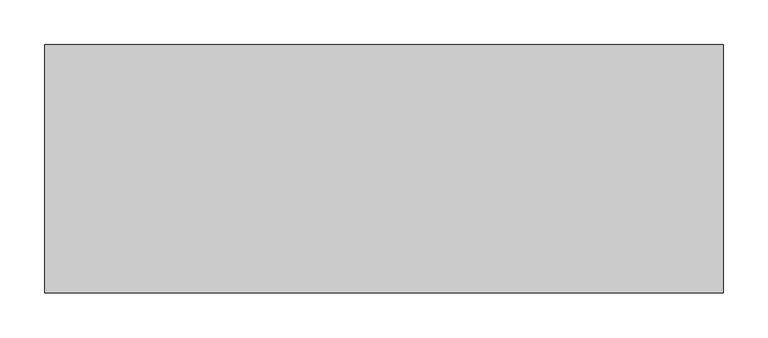
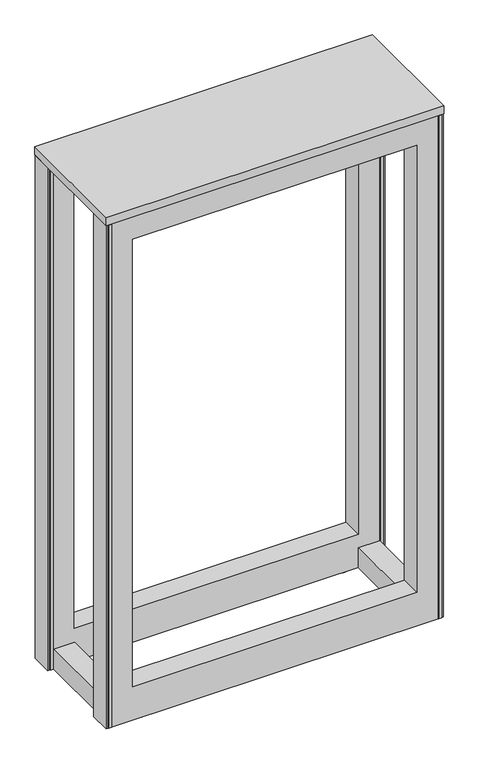
"""IFC4 building model written with IfcOpenShell, lengths in millimetres: furniture geometry."""

from ifc_helpers import new_model, si_unit, frame, origin, place, context, project, spatial, polyline, circle_curve, outline, extrude, faceted_brep, source, transform, mapped, element, save
from ifc_brep_helpers import plane_surface, cylinder_surface, advanced_brep


def furniture_7efb9b5b(model_context):
    return source(origin(), model_context, "Body", "SolidModel", [
        extrude(outline(polyline([(323.7647752, -1662.8012805), (323.7647752, -1942.2012805), (-438.2352248, -1942.2012805), (-438.2352248, -1662.8012805), (323.7647752, -1662.8012805)])), frame((0.0, 0.0, 1209.675), z_axis=(0.0, 0.0, 1.0), x_axis=(1.0, 0.0, 0.0)), (0.0, 0.0, 1.0), 19.05),
        faceted_brep([(-377.9102232, -1716.7762789, 1155.6999758), (-377.9102232, -1716.7762789, 1147.8259651), (-377.9102232, -1717.5700289, 1147.8259651), (-377.9102232, -1717.5700289, 1156.4937258), (-377.9102232, -1712.1156691, 1156.4937258), (-377.9102232, -1712.1156691, 1155.6999758), (263.4327537, -1717.5700289, 1156.4937258), (263.4327537, -1717.5700289, 1147.8259651), (263.4327537, -1716.7762789, 1147.8259651), (263.4327537, -1716.7762789, 1155.6999758), (263.4327537, -1712.1156691, 1155.6999758), (263.4327537, -1712.1156691, 1156.4937258), (263.4327537, -1667.5637805, 1156.4937258), (-377.9102232, -1667.5637805, 1156.4937258), (263.4327537, -1667.5637805, 1208.88125), (-377.9102232, -1667.5637805, 1208.88125), (263.4327537, -1712.1156691, 1208.88125), (-377.9102232, -1712.1156691, 1208.88125), (-430.2977242, -1712.1156691, 1209.675), (-430.2977242, -1712.1156691, 9.525), (315.8272747, -1712.1156691, 9.525), (315.8272747, -1712.1156691, 1209.675), (263.4327537, -1712.1156691, 88.9000027), (-377.9102232, -1712.1156691, 88.9000027), (-430.2977242, -1664.3887805, 1209.675), (315.8272747, -1664.3887805, 1209.675), (-430.2977242, -1664.3887805, 9.525), (315.8272747, -1664.3887805, 9.525), (263.4327537, -1664.3887805, 1155.6999758), (-377.9102232, -1664.3887805, 1155.6999758), (-377.9102232, -1664.3887805, 88.9000027), (263.4327537, -1664.3887805, 88.9000027)], [[[0, 1, 2, 3, 4, 5]], [[6, 7, 8, 9, 10, 11]], [[3, 6, 11, 12, 13, 4]], [[13, 12, 14, 15]], [[15, 14, 16, 17]], [[18, 19, 20, 21], [17, 16, 11, 10, 22, 23, 5, 4]], [[24, 18, 21, 25]], [[26, 24, 25, 27], [28, 29, 30, 31]], [[29, 28, 10, 9, 0, 5]], [[1, 0, 9, 8]], [[2, 1, 8, 7]], [[3, 2, 7, 6]], [[19, 26, 27, 20]], [[17, 4, 13, 15]], [[29, 5, 23, 30]], [[18, 24, 26, 19]], [[25, 21, 20, 27]], [[11, 16, 14, 12]], [[10, 28, 31, 22]], [[31, 30, 23, 22]]]),
        faceted_brep([(-377.9102232, -1888.1243934, 1147.8259651), (-377.9102232, -1888.1243934, 1155.6999758), (-377.9102232, -1892.9887805, 1155.6999758), (-377.9102232, -1892.9887805, 1156.4937258), (-377.9102232, -1887.3306434, 1156.4937258), (-377.9102232, -1887.3306434, 1147.8259651), (263.4327537, -1888.1243934, 1147.8259651), (263.4327537, -1887.3306434, 1147.8259651), (263.4327537, -1887.3306434, 1156.4937258), (263.4327537, -1892.9887805, 1156.4937258), (263.4327537, -1892.9887805, 1155.6999758), (263.4327537, -1888.1243934, 1155.6999758), (-430.2977242, -1892.9887805, 1209.675), (-430.2977242, -1940.7156691, 1209.675), (315.8272747, -1940.7156691, 1209.675), (315.8272747, -1892.9887805, 1209.675), (263.4327537, -1940.7156691, 1155.6999758), (-377.9102232, -1940.7156691, 1155.6999758), (-430.2977242, -1940.7156691, 9.525), (315.8272747, -1940.7156691, 9.525), (263.4327537, -1940.7156691, 88.9000027), (-377.9102232, -1940.7156691, 88.9000027), (-430.2977242, -1892.9887805, 9.525), (315.8272747, -1892.9887805, 9.525), (263.4327537, -1892.9887805, 1208.88125), (-377.9102232, -1892.9887805, 1208.88125), (-377.9102232, -1892.9887805, 88.9000027), (263.4327537, -1892.9887805, 88.9000027), (263.4327537, -1937.438782, 1208.88125), (-377.9102232, -1937.438782, 1208.88125), (263.4327537, -1937.438782, 1156.4937258), (-377.9102232, -1937.438782, 1156.4937258)], [[[0, 1, 2, 3, 4, 5]], [[6, 7, 8, 9, 10, 11]], [[12, 13, 14, 15]], [[1, 0, 6, 11]], [[1, 11, 10, 16, 17, 2]], [[13, 18, 19, 14], [17, 16, 20, 21]], [[22, 12, 15, 23], [24, 25, 3, 2, 26, 27, 10, 9]], [[25, 24, 28, 29]], [[29, 28, 30, 31]], [[31, 30, 9, 8, 4, 3]], [[5, 4, 8, 7]], [[0, 5, 7, 6]], [[18, 22, 23, 19]], [[2, 17, 21, 26]], [[3, 25, 29, 31]], [[13, 12, 22, 18]], [[15, 14, 19, 23]], [[16, 10, 27, 20]], [[24, 9, 30, 28]], [[27, 26, 21, 20]]]),
        faceted_brep([(263.4327537, -1713.6012805, 57.1500023), (263.4327537, -1713.6012805, 9.525), (263.4327537, -1891.4012805, 9.525), (263.4327537, -1891.4012805, 57.1500023), (311.0647745, -1713.6012805, 57.1500023), (311.0647745, -1891.4012805, 57.1500023), (311.0647745, -1891.4012805, 9.525), (311.0647745, -1713.6012805, 9.525)], [[[0, 1, 2, 3]], [[4, 5, 6, 7]], [[1, 0, 4, 7]], [[2, 1, 7, 6]], [[3, 2, 6, 5]], [[0, 3, 5, 4]]]),
        faceted_brep([(-425.535224, -1891.4012805, 57.1500023), (-425.535224, -1713.6012805, 57.1500023), (-425.535224, -1713.6012805, 9.525), (-425.535224, -1891.4012805, 9.525), (-377.9102232, -1891.4012805, 57.1500023), (-377.9102232, -1891.4012805, 9.525), (-377.9102232, -1713.6012805, 9.525), (-377.9102232, -1713.6012805, 57.1500023)], [[[0, 1, 2, 3]], [[4, 5, 6, 7]], [[1, 0, 4, 7]], [[2, 1, 7, 6]], [[3, 2, 6, 5]], [[0, 3, 5, 4]]]),
        extrude(outline(polyline([(-438.2352248, -1664.3887805), (-430.2977242, -1664.3887805), (-430.2977242, -1712.1156691), (-438.2352248, -1712.1156691), (-438.2352248, -1664.3887805)])), frame((0.0, 0.0, 9.525), z_axis=(0.0, 0.0, 1.0), x_axis=(1.0, 0.0, 0.0)), (0.0, 0.0, 1.0), 1200.15),
        extrude(outline(polyline([(323.7647752, -1664.3887805), (323.7647752, -1712.1156691), (315.8272747, -1712.1156691), (315.8272747, -1664.3887805), (323.7647752, -1664.3887805)])), frame((0.0, 0.0, 9.525), z_axis=(0.0, 0.0, 1.0), x_axis=(1.0, 0.0, 0.0)), (0.0, 0.0, 1.0), 1200.15),
        extrude(outline(polyline([(-438.2352248, -1940.7156691), (-438.2352248, -1892.9887805), (-430.2977242, -1892.9887805), (-430.2977242, -1940.7156691), (-438.2352248, -1940.7156691)])), frame((0.0, 0.0, 9.525), z_axis=(0.0, 0.0, 1.0), x_axis=(1.0, 0.0, 0.0)), (0.0, 0.0, 1.0), 1200.15),
        extrude(outline(polyline([(323.7647752, -1940.7156691), (315.8272747, -1940.7156691), (315.8272747, -1892.9887805), (323.7647752, -1892.9887805), (323.7647752, -1940.7156691)])), frame((0.0, 0.0, 9.525), z_axis=(0.0, 0.0, 1.0), x_axis=(1.0, 0.0, 0.0)), (0.0, 0.0, 1.0), 1200.15),
        advanced_brep(
        [(231.7465668, -1688.2012805, 31.7500003), (244.4465668, -1688.2012805, 31.7500003), (238.0965668, -1688.2012805, 31.7500003), (231.7465668, -1688.2012805, 4.7625), (244.4465668, -1688.2012805, 4.7625), (225.3965668, -1688.2012805, 4.7625), (250.7965668, -1688.2012805, 4.7625), (225.3965668, -1688.2012805, 0.0), (250.7965668, -1688.2012805, 0.0), (238.0965668, -1688.2012805, 0.0)],
        [
            (0, 1, circle_curve(frame((238.0965668, -1688.2012805, 31.7500003), z_axis=(0.0, 0.0, 1.0), x_axis=(1.0, 0.0, 0.0)), 6.35)),
            (1, 2),
            (2, 0),
            (1, 0, circle_curve(frame((238.0965668, -1688.2012805, 31.7500003), z_axis=(0.0, 0.0, 1.0), x_axis=(1.0, 0.0, 0.0)), 6.35)),
            (3, 4, circle_curve(frame((238.0965668, -1688.2012805, 4.7625), z_axis=(0.0, 0.0, 1.0), x_axis=(1.0, 0.0, 0.0)), 6.35)),
            (4, 1),
            (0, 3),
            (4, 3, circle_curve(frame((238.0965668, -1688.2012805, 4.7625), z_axis=(0.0, 0.0, 1.0), x_axis=(1.0, 0.0, 0.0)), 6.35)),
            (5, 6, circle_curve(frame((238.0965668, -1688.2012805, 4.7625), z_axis=(0.0, 0.0, 1.0), x_axis=(1.0, 0.0, 0.0)), 12.7)),
            (6, 4),
            (3, 5),
            (6, 5, circle_curve(frame((238.0965668, -1688.2012805, 4.7625), z_axis=(0.0, 0.0, 1.0), x_axis=(1.0, 0.0, 0.0)), 12.7)),
            (7, 8, circle_curve(frame((238.0965668, -1688.2012805, 0.0), z_axis=(0.0, 0.0, 1.0), x_axis=(1.0, 0.0, 0.0)), 12.7)),
            (8, 6),
            (5, 7),
            (8, 7, circle_curve(frame((238.0965668, -1688.2012805, 0.0), z_axis=(0.0, 0.0, 1.0), x_axis=(1.0, 0.0, 0.0)), 12.7)),
            (9, 8),
            (7, 9),
        ],
        [
            plane_surface(frame((238.0965668, -1688.2012805, 31.7500003), z_axis=(0.0, 0.0, 1.0), x_axis=(1.0, 0.0, 0.0))),
            cylinder_surface(frame((238.0965668, -1688.2012805, -8.2875395), z_axis=(0.0, 0.0, -1.0), x_axis=(1.0, 0.0, 0.0)), 6.35),
            plane_surface(frame((238.0965668, -1688.2012805, 4.7625), z_axis=(0.0, 0.0, 1.0), x_axis=(1.0, 0.0, 0.0))),
            cylinder_surface(frame((238.0965668, -1688.2012805, -8.2875395), z_axis=(0.0, 0.0, -1.0), x_axis=(1.0, 0.0, 0.0)), 12.7),
            plane_surface(frame((238.0965668, -1688.2012805, 0.0), z_axis=(0.0, 0.0, -1.0), x_axis=(1.0, 0.0, 0.0))),
        ],
        [
            (0, [[1, 2, 3]]),
            (0, [[4, -3, -2]]),
            (1, [[5, 6, -1, 7]]),
            (1, [[8, -7, -4, -6]]),
            (2, [[9, 10, -5, 11]]),
            (2, [[12, -11, -8, -10]]),
            (3, [[13, 14, -9, 15]]),
            (3, [[16, -15, -12, -14]]),
            (4, [[17, -13, 18]]),
            (4, [[-18, -16, -17]]),
        ],
    ),
        advanced_brep(
        [(225.3965668, -1916.8012805, 0.0), (250.7965668, -1916.8012805, 0.0), (250.7965668, -1916.8012805, 4.7625), (225.3965668, -1916.8012805, 4.7625), (238.0965668, -1916.8012805, 0.0), (231.7465668, -1916.8012805, 31.7500003), (244.4465668, -1916.8012805, 31.7500003), (238.0965668, -1916.8012805, 31.7500003), (231.7465668, -1916.8012805, 4.7625), (244.4465668, -1916.8012805, 4.7625)],
        [
            (0, 1, circle_curve(frame((238.0965668, -1916.8012805, 0.0), z_axis=(0.0, 0.0, 1.0), x_axis=(1.0, 0.0, 0.0)), 12.7)),
            (1, 2),
            (2, 3, circle_curve(frame((238.0965668, -1916.8012805, 4.7625), z_axis=(0.0, 0.0, -1.0), x_axis=(1.0, 0.0, 0.0)), 12.7)),
            (3, 0),
            (1, 0, circle_curve(frame((238.0965668, -1916.8012805, 0.0), z_axis=(0.0, 0.0, 1.0), x_axis=(1.0, 0.0, 0.0)), 12.7)),
            (3, 2, circle_curve(frame((238.0965668, -1916.8012805, 4.7625), z_axis=(0.0, 0.0, -1.0), x_axis=(1.0, 0.0, 0.0)), 12.7)),
            (4, 1),
            (0, 4),
            (5, 6, circle_curve(frame((238.0965668, -1916.8012805, 31.7500003), z_axis=(0.0, 0.0, 1.0), x_axis=(1.0, 0.0, 0.0)), 6.35)),
            (6, 7),
            (7, 5),
            (6, 5, circle_curve(frame((238.0965668, -1916.8012805, 31.7500003), z_axis=(0.0, 0.0, 1.0), x_axis=(1.0, 0.0, 0.0)), 6.35)),
            (8, 9, circle_curve(frame((238.0965668, -1916.8012805, 4.7625), z_axis=(0.0, 0.0, 1.0), x_axis=(1.0, 0.0, 0.0)), 6.35)),
            (9, 6),
            (5, 8),
            (9, 8, circle_curve(frame((238.0965668, -1916.8012805, 4.7625), z_axis=(0.0, 0.0, 1.0), x_axis=(1.0, 0.0, 0.0)), 6.35)),
            (2, 9),
            (8, 3),
        ],
        [
            cylinder_surface(frame((238.0965668, -1916.8012805, -12.7), z_axis=(0.0, 0.0, -1.0), x_axis=(1.0, 0.0, 0.0)), 12.7),
            plane_surface(frame((238.0965668, -1916.8012805, 0.0), z_axis=(0.0, 0.0, -1.0), x_axis=(1.0, 0.0, 0.0))),
            plane_surface(frame((238.0965668, -1916.8012805, 31.7500003), z_axis=(0.0, 0.0, 1.0), x_axis=(1.0, 0.0, 0.0))),
            cylinder_surface(frame((238.0965668, -1916.8012805, -12.7), z_axis=(0.0, 0.0, -1.0), x_axis=(1.0, 0.0, 0.0)), 6.35),
            plane_surface(frame((238.0965668, -1916.8012805, 4.7625), z_axis=(0.0, 0.0, 1.0), x_axis=(1.0, 0.0, 0.0))),
        ],
        [
            (0, [[1, 2, 3, 4]]),
            (0, [[5, -4, 6, -2]]),
            (1, [[7, -1, 8]]),
            (1, [[-8, -5, -7]]),
            (2, [[9, 10, 11]]),
            (2, [[12, -11, -10]]),
            (3, [[13, 14, -9, 15]]),
            (3, [[16, -15, -12, -14]]),
            (4, [[-3, 17, -13, 18]]),
            (4, [[-6, -18, -16, -17]]),
        ],
    ),
        advanced_brep(
        [(-365.2670163, -1916.8012805, 0.0), (-339.8670163, -1916.8012805, 0.0), (-339.8670163, -1916.8012805, 4.7625), (-365.2670163, -1916.8012805, 4.7625), (-352.5670163, -1916.8012805, 0.0), (-358.9170163, -1916.8012805, 31.7500003), (-346.2170163, -1916.8012805, 31.7500003), (-352.5670163, -1916.8012805, 31.7500003), (-358.9170163, -1916.8012805, 4.7625), (-346.2170163, -1916.8012805, 4.7625)],
        [
            (0, 1, circle_curve(frame((-352.5670163, -1916.8012805, 0.0), z_axis=(0.0, 0.0, 1.0), x_axis=(1.0, 0.0, 0.0)), 12.7)),
            (1, 2),
            (2, 3, circle_curve(frame((-352.5670163, -1916.8012805, 4.7625), z_axis=(0.0, 0.0, -1.0), x_axis=(1.0, 0.0, 0.0)), 12.7)),
            (3, 0),
            (1, 0, circle_curve(frame((-352.5670163, -1916.8012805, 0.0), z_axis=(0.0, 0.0, 1.0), x_axis=(1.0, 0.0, 0.0)), 12.7)),
            (3, 2, circle_curve(frame((-352.5670163, -1916.8012805, 4.7625), z_axis=(0.0, 0.0, -1.0), x_axis=(1.0, 0.0, 0.0)), 12.7)),
            (4, 1),
            (0, 4),
            (5, 6, circle_curve(frame((-352.5670163, -1916.8012805, 31.7500003), z_axis=(0.0, 0.0, 1.0), x_axis=(1.0, 0.0, 0.0)), 6.35)),
            (6, 7),
            (7, 5),
            (6, 5, circle_curve(frame((-352.5670163, -1916.8012805, 31.7500003), z_axis=(0.0, 0.0, 1.0), x_axis=(1.0, 0.0, 0.0)), 6.35)),
            (8, 9, circle_curve(frame((-352.5670163, -1916.8012805, 4.7625), z_axis=(0.0, 0.0, 1.0), x_axis=(1.0, 0.0, 0.0)), 6.35)),
            (9, 6),
            (5, 8),
            (9, 8, circle_curve(frame((-352.5670163, -1916.8012805, 4.7625), z_axis=(0.0, 0.0, 1.0), x_axis=(1.0, 0.0, 0.0)), 6.35)),
            (2, 9),
            (8, 3),
        ],
        [
            cylinder_surface(frame((-352.5670163, -1916.8012805, -4.6781394), z_axis=(0.0, 0.0, -1.0), x_axis=(1.0, 0.0, 0.0)), 12.7),
            plane_surface(frame((-352.5670163, -1916.8012805, 0.0), z_axis=(0.0, 0.0, -1.0), x_axis=(1.0, 0.0, 0.0))),
            plane_surface(frame((-352.5670163, -1916.8012805, 31.7500003), z_axis=(0.0, 0.0, 1.0), x_axis=(1.0, 0.0, 0.0))),
            cylinder_surface(frame((-352.5670163, -1916.8012805, -4.6781394), z_axis=(0.0, 0.0, -1.0), x_axis=(1.0, 0.0, 0.0)), 6.35),
            plane_surface(frame((-352.5670163, -1916.8012805, 4.7625), z_axis=(0.0, 0.0, 1.0), x_axis=(1.0, 0.0, 0.0))),
        ],
        [
            (0, [[1, 2, 3, 4]]),
            (0, [[5, -4, 6, -2]]),
            (1, [[7, -1, 8]]),
            (1, [[-8, -5, -7]]),
            (2, [[9, 10, 11]]),
            (2, [[12, -11, -10]]),
            (3, [[13, 14, -9, 15]]),
            (3, [[16, -15, -12, -14]]),
            (4, [[-3, 17, -13, 18]]),
            (4, [[-6, -18, -16, -17]]),
        ],
    ),
        advanced_brep(
        [(-365.2670163, -1688.2012805, 0.0), (-339.8670163, -1688.2012805, 0.0), (-339.8670163, -1688.2012805, 4.7625), (-365.2670163, -1688.2012805, 4.7625), (-352.5670163, -1688.2012805, 0.0), (-358.9170163, -1688.2012805, 31.7500003), (-346.2170163, -1688.2012805, 31.7500003), (-352.5670163, -1688.2012805, 31.7500003), (-358.9170163, -1688.2012805, 4.7625), (-346.2170163, -1688.2012805, 4.7625)],
        [
            (0, 1, circle_curve(frame((-352.5670163, -1688.2012805, 0.0), z_axis=(0.0, 0.0, 1.0), x_axis=(1.0, 0.0, 0.0)), 12.7)),
            (1, 2),
            (2, 3, circle_curve(frame((-352.5670163, -1688.2012805, 4.7625), z_axis=(0.0, 0.0, -1.0), x_axis=(1.0, 0.0, 0.0)), 12.7)),
            (3, 0),
            (1, 0, circle_curve(frame((-352.5670163, -1688.2012805, 0.0), z_axis=(0.0, 0.0, 1.0), x_axis=(1.0, 0.0, 0.0)), 12.7)),
            (3, 2, circle_curve(frame((-352.5670163, -1688.2012805, 4.7625), z_axis=(0.0, 0.0, -1.0), x_axis=(1.0, 0.0, 0.0)), 12.7)),
            (4, 1),
            (0, 4),
            (5, 6, circle_curve(frame((-352.5670163, -1688.2012805, 31.7500003), z_axis=(0.0, 0.0, 1.0), x_axis=(1.0, 0.0, 0.0)), 6.35)),
            (6, 7),
            (7, 5),
            (6, 5, circle_curve(frame((-352.5670163, -1688.2012805, 31.7500003), z_axis=(0.0, 0.0, 1.0), x_axis=(1.0, 0.0, 0.0)), 6.35)),
            (8, 9, circle_curve(frame((-352.5670163, -1688.2012805, 4.7625), z_axis=(0.0, 0.0, 1.0), x_axis=(1.0, 0.0, 0.0)), 6.35)),
            (9, 6),
            (5, 8),
            (9, 8, circle_curve(frame((-352.5670163, -1688.2012805, 4.7625), z_axis=(0.0, 0.0, 1.0), x_axis=(1.0, 0.0, 0.0)), 6.35)),
            (2, 9),
            (8, 3),
        ],
        [
            cylinder_surface(frame((-352.5670163, -1688.2012805, -10.8541202), z_axis=(0.0, 0.0, -1.0), x_axis=(1.0, 0.0, 0.0)), 12.7),
            plane_surface(frame((-352.5670163, -1688.2012805, 0.0), z_axis=(0.0, 0.0, -1.0), x_axis=(1.0, 0.0, 0.0))),
            plane_surface(frame((-352.5670163, -1688.2012805, 31.7500003), z_axis=(0.0, 0.0, 1.0), x_axis=(1.0, 0.0, 0.0))),
            cylinder_surface(frame((-352.5670163, -1688.2012805, -10.8541202), z_axis=(0.0, 0.0, -1.0), x_axis=(1.0, 0.0, 0.0)), 6.35),
            plane_surface(frame((-352.5670163, -1688.2012805, 4.7625), z_axis=(0.0, 0.0, 1.0), x_axis=(1.0, 0.0, 0.0))),
        ],
        [
            (0, [[1, 2, 3, 4]]),
            (0, [[5, -4, 6, -2]]),
            (1, [[7, -1, 8]]),
            (1, [[-8, -5, -7]]),
            (2, [[9, 10, 11]]),
            (2, [[12, -11, -10]]),
            (3, [[13, 14, -9, 15]]),
            (3, [[16, -15, -12, -14]]),
            (4, [[-3, 17, -13, 18]]),
            (4, [[-6, -18, -16, -17]]),
        ],
    ),
        extrude(outline(polyline([(319.0057257, -1942.2012805), (312.1730168, -1942.2012805), (311.0647745, -1940.7156691), (319.0057257, -1940.7156691), (319.0057257, -1942.2012805)])), frame((0.0, 0.0, 9.525), z_axis=(0.0, 0.0, 1.0), x_axis=(1.0, 0.0, 0.0)), (0.0, 0.0, 1.0), 1200.15),
        extrude(outline(polyline([(311.0647745, -1664.3887805), (312.1730168, -1662.8012805), (319.0057257, -1662.8012805), (319.0057257, -1664.3887805), (311.0647745, -1664.3887805)])), frame((0.0, 0.0, 9.525), z_axis=(0.0, 0.0, 1.0), x_axis=(1.0, 0.0, 0.0)), (0.0, 0.0, 1.0), 1200.15),
        extrude(outline(polyline([(311.1359035, -1712.1156691), (319.0057257, -1712.1156691), (319.0057257, -1713.6012805), (312.1730168, -1713.6012805), (311.1359035, -1712.1156691)])), frame((0.0, 0.0, 9.525), z_axis=(0.0, 0.0, 1.0), x_axis=(1.0, 0.0, 0.0)), (0.0, 0.0, 1.0), 1200.15),
        extrude(outline(polyline([(319.0057257, -1891.4012805), (319.0057257, -1892.9887805), (310.9887672, -1892.9887805), (312.1730168, -1891.4012805), (319.0057257, -1891.4012805)])), frame((0.0, 0.0, 9.525), z_axis=(0.0, 0.0, 1.0), x_axis=(1.0, 0.0, 0.0)), (0.0, 0.0, 1.0), 1200.15),
        extrude(outline(polyline([(-433.4761752, -1942.2012805), (-433.4761752, -1940.7156691), (-425.535224, -1940.7156691), (-426.6434663, -1942.2012805), (-433.4761752, -1942.2012805)])), frame((0.0, 0.0, 9.525), z_axis=(0.0, 0.0, 1.0), x_axis=(1.0, 0.0, 0.0)), (0.0, 0.0, 1.0), 1200.15),
        extrude(outline(polyline([(-425.535224, -1664.3887805), (-433.4761752, -1664.3887805), (-433.4761752, -1662.8012805), (-426.6434663, -1662.8012805), (-425.535224, -1664.3887805)])), frame((0.0, 0.0, 9.525), z_axis=(0.0, 0.0, 1.0), x_axis=(1.0, 0.0, 0.0)), (0.0, 0.0, 1.0), 1200.15),
        extrude(outline(polyline([(-425.535224, -1712.1156691), (-426.6434663, -1713.6012805), (-433.4761752, -1713.6012805), (-433.4761752, -1712.1156691), (-425.535224, -1712.1156691)])), frame((0.0, 0.0, 9.525), z_axis=(0.0, 0.0, 1.0), x_axis=(1.0, 0.0, 0.0)), (0.0, 0.0, 1.0), 1200.15),
        extrude(outline(polyline([(-433.4761752, -1891.4012805), (-426.6434663, -1891.4012805), (-425.535224, -1892.9887805), (-433.4761752, -1892.9887805), (-433.4761752, -1891.4012805)])), frame((0.0, 0.0, 9.525), z_axis=(0.0, 0.0, 1.0), x_axis=(1.0, 0.0, 0.0)), (0.0, 0.0, 1.0), 1200.15),
    ])


if __name__ == "__main__":
    model = new_model("IFC4")
    model_context = context("Model", 3, world=origin())
    ifc_project = project(units=[si_unit("LENGTHUNIT", "METRE", prefix="MILLI")], contexts=[model_context])
    site = spatial("IfcSite", under=ifc_project)
    building = spatial("IfcBuilding", under=site)
    placement = place(None, origin())
    furniture_shape = furniture_7efb9b5b(model_context)
    element("IfcFurniture", 1, at=placement, inside=building, context=model_context, shape_type="MappedRepresentation", body=[
        mapped(furniture_shape, transform((0.0, 0.0, 0.0), x_axis=(1.0, 0.0, 0.0), y_axis=(0.0, 1.0, 0.0), z_axis=(0.0, 0.0, 1.0))),
    ])
    save(model, "model.ifc")
